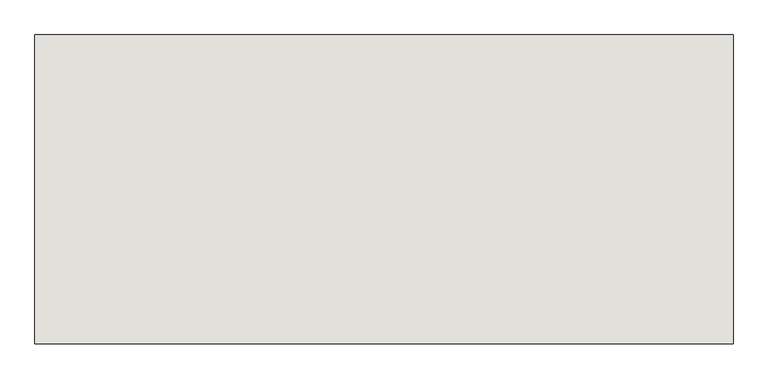
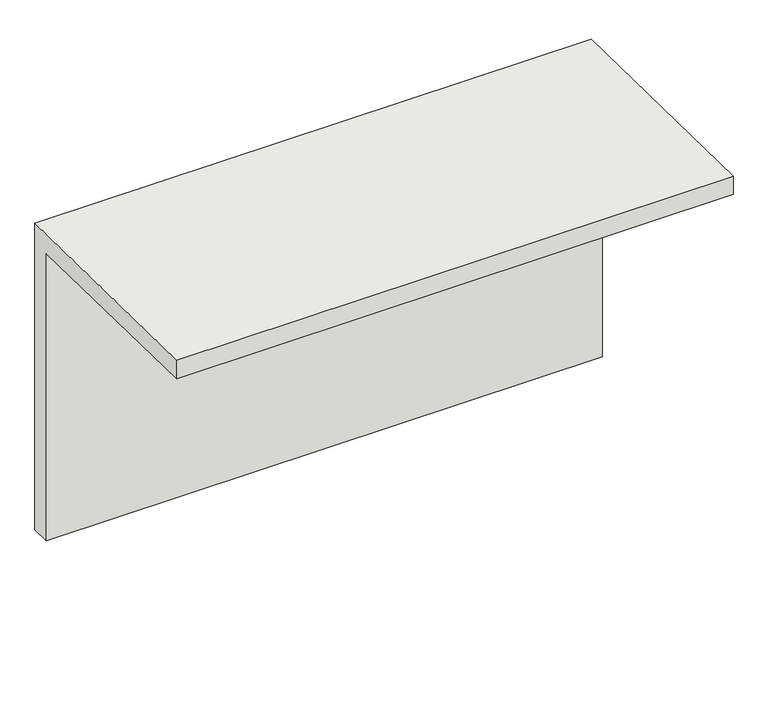
"""IFC4 building model written with IfcOpenShell, lengths in millimetres: wall geometry."""

from ifc_helpers import new_model, si_unit, frame, origin, place, context, project, spatial, polyline, outline, extrude, source, transform, mapped, element, save


def wall_001d4482(model_context):
    return source(origin(), model_context, "Body", "SweptSolid", [
        extrude(outline(polyline([(93269.9313244, -3053.75), (93269.9313244, -5373.75), (93128.5807475, -5373.75), (93128.5807475, -3199.4598924), (91507.2177292, -3161.9649477), (91507.2177292, -3021.9649477), (93269.9313244, -3053.75)])), frame((21322.3225637, 0.0, 0.0), z_axis=(1.0, 0.0, 0.0), x_axis=(0.0, 1.0, 0.0)), (0.0, 0.0, 1.0), 3985.2769285),
    ])


if __name__ == "__main__":
    model = new_model("IFC4")
    model_context = context("Model", 3, world=origin())
    ifc_project = project(units=[si_unit("LENGTHUNIT", "METRE", prefix="MILLI")], contexts=[model_context])
    site = spatial("IfcSite", under=ifc_project)
    building = spatial("IfcBuilding", under=site)
    placement = place(None, origin())
    wall_shape = wall_001d4482(model_context)
    element("IfcWall", 1, at=placement, inside=building, context=model_context, shape_type="MappedRepresentation", body=[
        mapped(wall_shape, transform((0.0, 0.0, 0.0), x_axis=(1.0, 0.0, 0.0), y_axis=(0.0, 1.0, 0.0), z_axis=(0.0, 0.0, 1.0))),
    ])
    save(model, "model.ifc")
